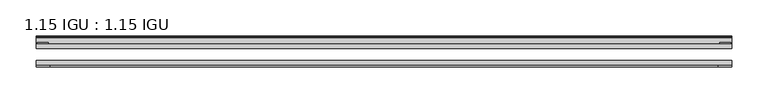
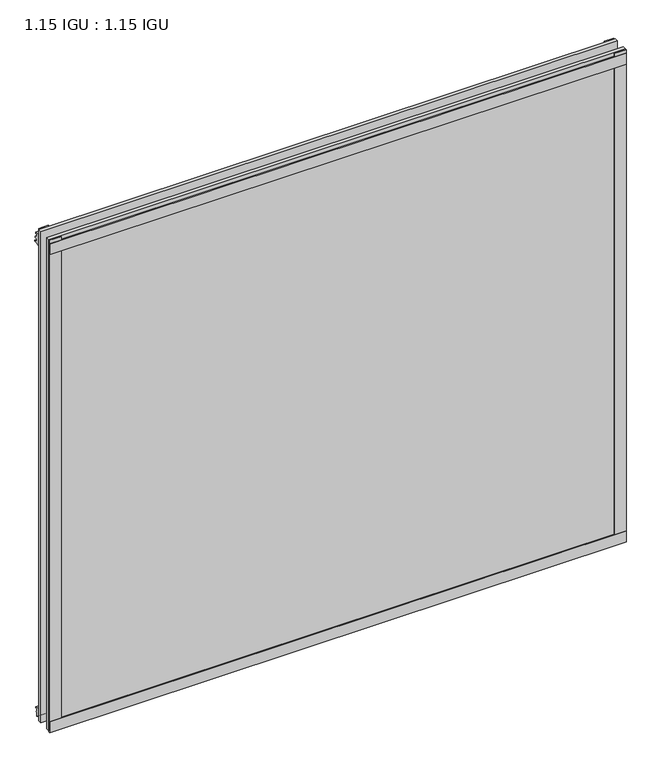
"""IFC4 building model written with IfcOpenShell, lengths in millimetres: plate geometry, 1.15 IGU : 1.15 IGU."""

from ifc_helpers import new_model, si_unit, point, frame, frame_2d, origin, place, context, project, spatial, polyline, circle_curve, trimmed, segment, composite_curve, outline, extrude, source, transform, mapped, element, save


def plate_1_15_igu_1_15_igu_0b72500e(model_context):
    return source(origin(), model_context, "Body", "SweptSolid", [
        extrude(outline(polyline([(481.33, 0.0), (481.33, -6.2992), (-481.33, -6.2992), (-481.33, 0.0), (481.33, 0.0)])), frame((0.0, 0.0, -17.4498), z_axis=(0.0, 0.0, 1.0), x_axis=(1.0, 0.0, 0.0)), (0.0, 0.0, 1.0), 868.3366072),
        extrude(outline(polyline([(-481.33, -23.1648), (481.33, -23.1648), (481.33, -29.464), (-481.33, -29.464), (-481.33, -23.1648)])), frame((0.0, 0.0, -17.4498), z_axis=(0.0, 0.0, 1.0), x_axis=(1.0, 0.0, 0.0)), (0.0, 0.0, 1.0), 868.3366072),
        extrude(outline(polyline([(-481.33, -31.75), (-481.33, -29.464), (481.33, -29.464), (481.33, -31.75), (-481.33, -31.75)])), frame((0.0, 0.0, -19.05), z_axis=(0.0, 0.0, 1.0), x_axis=(1.0, 0.0, 0.0)), (0.0, 0.0, 1.0), 19.05),
        extrude(outline(composite_curve([segment(trimmed(circle_curve(frame_2d((13.6593785, 32.4202472)), 31.3046461), [point((0.0, 4.2528503))], [point((9.3980339, 1.406995))], True, "CARTESIAN"), True, "CONTINUOUS"), segment(polyline([(9.3980339, 1.406995), (9.3980339, 0.0254), (6.35, 0.0254), (6.35, -5.1625788), (7.7309478, -5.3970663), (6.35, -8.0073788), (6.35, -11.8471127)]), True, "CONTINUOUS"), segment(trimmed(circle_curve(frame_2d((5.334, -11.8471127)), 1.016), [point((6.35, -11.8471127))], [point((4.6284878, -12.5782136))], False, "CARTESIAN"), True, "CONTINUOUS"), segment(trimmed(circle_curve(frame_2d((-23.3689302, -41.5910901)), 40.3187601), [point((4.6284878, -12.5782136))], [point((0.0, -8.735413))], True, "CARTESIAN"), True, "CONTINUOUS"), segment(polyline([(0.0, -8.735413), (0.0, 4.2528503)]), True, "CONTINUOUS")], self_intersect=False)), frame((-481.33, 0.0, 0.0), z_axis=(1.0, 0.0, 0.0), x_axis=(0.0, 1.0, 0.0)), (0.0, 0.0, 1.0), 962.66),
        extrude(outline(composite_curve([segment(polyline([(8.509, 840.7300284), (8.509, 838.6980284), (6.35, 838.6980284), (6.35, 833.3640284), (8.9492698, 833.3640284)]), True, "CONTINUOUS"), segment(trimmed(circle_curve(frame_2d((8.208689, 831.8368072)), 1.697311), [point((8.9492698, 833.3640284))], [point((8.962411, 830.3160284))], False, "CARTESIAN"), True, "CONTINUOUS"), segment(polyline([(8.962411, 830.3160284), (6.35, 830.3160284), (6.35, 825.4868072), (11.1252, 825.4868072), (11.1252, 824.5978072)]), True, "CONTINUOUS"), segment(trimmed(circle_curve(frame_2d((10.1092, 824.5978072)), 1.016), [point((11.1252, 824.5978072))], [point((10.1092, 823.5818072))], False, "CARTESIAN"), True, "CONTINUOUS"), segment(trimmed(circle_curve(frame_2d((10.1092, 804.1707318)), 19.4110754), [point((10.1092, 823.5818072))], [point((0.0, 820.7416075))], True, "CARTESIAN"), True, "CONTINUOUS"), segment(polyline([(0.0, 820.7416075), (0.0, 840.7300284), (8.509, 840.7300284)]), True, "CONTINUOUS")], self_intersect=False)), frame((-481.33, 0.0, 0.0), z_axis=(1.0, 0.0, 0.0), x_axis=(0.0, 1.0, 0.0)), (0.0, 0.0, 1.0), 962.66),
        extrude(outline(polyline([(-481.33, -31.75), (-481.33, -29.464), (481.33, -29.464), (481.33, -31.75), (-481.33, -31.75)])), frame((0.0, 0.0, 825.4868072), z_axis=(0.0, 0.0, 1.0), x_axis=(1.0, 0.0, 0.0)), (0.0, 0.0, 1.0), 19.05),
        extrude(outline(polyline([(462.28, -29.464), (481.33, -29.464), (481.33, -31.75), (462.28, -31.75), (462.28, -29.464)])), frame((0.0, 0.0, -17.4498), z_axis=(0.0, 0.0, 1.0), x_axis=(1.0, 0.0, 0.0)), (0.0, 0.0, 1.0), 868.3366072),
        extrude(outline(polyline([(480.1235, 2.2860088), (480.1235, 0.0021347), (464.2485, 0.0021347), (464.2485, 2.2860088), (480.1235, 2.2860088)])), frame((0.0, 0.0, -17.4498), z_axis=(0.0, 0.0, 1.0), x_axis=(1.0, 0.0, 0.0)), (0.0, 0.0, 1.0), 868.3366072),
        extrude(outline(polyline([(-481.33, -31.75), (-481.33, -29.464), (-462.28, -29.464), (-462.28, -31.75), (-481.33, -31.75)])), frame((0.0, 0.0, -17.4498), z_axis=(0.0, 0.0, 1.0), x_axis=(1.0, 0.0, 0.0)), (0.0, 0.0, 1.0), 868.3366072),
        extrude(outline(polyline([(-480.1235, 0.0), (-480.1235, 2.286), (-464.2485, 2.286), (-464.2485, 0.0), (-480.1235, 0.0)])), frame((0.0, 0.0, -17.4498), z_axis=(0.0, 0.0, 1.0), x_axis=(1.0, 0.0, 0.0)), (0.0, 0.0, 1.0), 868.3366072),
    ])


if __name__ == "__main__":
    model = new_model("IFC4")
    model_context = context("Model", 3, world=origin())
    ifc_project = project(units=[si_unit("LENGTHUNIT", "METRE", prefix="MILLI")], contexts=[model_context])
    site = spatial("IfcSite", under=ifc_project)
    building = spatial("IfcBuilding", under=site)
    placement = place(None, origin())
    plate_1_15_igu_1_15_igu_shape = plate_1_15_igu_1_15_igu_0b72500e(model_context)
    element("IfcPlate", 1, ObjectType="1.15 IGU : 1.15 IGU", at=placement, inside=building, context=model_context, shape_type="MappedRepresentation", body=[
        mapped(plate_1_15_igu_1_15_igu_shape, transform((0.0, 0.0, 0.0), x_axis=(1.0, 0.0, 0.0), y_axis=(0.0, 1.0, 0.0), z_axis=(0.0, 0.0, 1.0))),
    ])
    save(model, "model.ifc")
